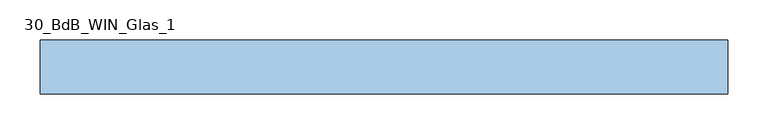
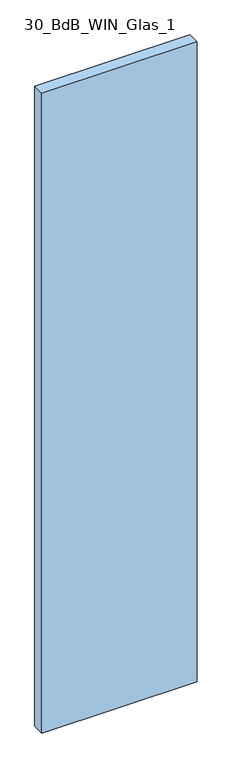
"""IFC4 building model written with IfcOpenShell, lengths in millimetres: window geometry, 30_BdB_WIN_Glas_1."""

from ifc_helpers import new_model, si_unit, origin, origin_with_axes, place, context, project, spatial, polyline, outline, extrude, source, transform, mapped, element, save


def window_30_bdb_win_glas_1_c9886259(model_context):
    return source(origin(), model_context, "Body", "SweptSolid", [
        extrude(outline(polyline([(-429.5, 0.0), (429.5, 0.0), (429.5, -68.0), (-429.5, -68.0), (-429.5, 0.0)])), origin_with_axes(), (0.0, 0.0, 1.0), 3746.0),
    ])


if __name__ == "__main__":
    model = new_model("IFC4")
    model_context = context("Model", 3, world=origin())
    ifc_project = project(units=[si_unit("LENGTHUNIT", "METRE", prefix="MILLI")], contexts=[model_context])
    site = spatial("IfcSite", under=ifc_project)
    building = spatial("IfcBuilding", under=site)
    placement = place(None, origin())
    window_30_bdb_win_glas_1_shape = window_30_bdb_win_glas_1_c9886259(model_context)
    element("IfcWindow", 1, ObjectType="30_BdB_WIN_Glas_1", at=placement, inside=building, context=model_context, shape_type="MappedRepresentation", body=[
        mapped(window_30_bdb_win_glas_1_shape, transform((0.0, 0.0, 0.0), x_axis=(1.0, 0.0, 0.0), y_axis=(0.0, 1.0, 0.0), z_axis=(0.0, 0.0, 1.0))),
    ])
    save(model, "model.ifc")
